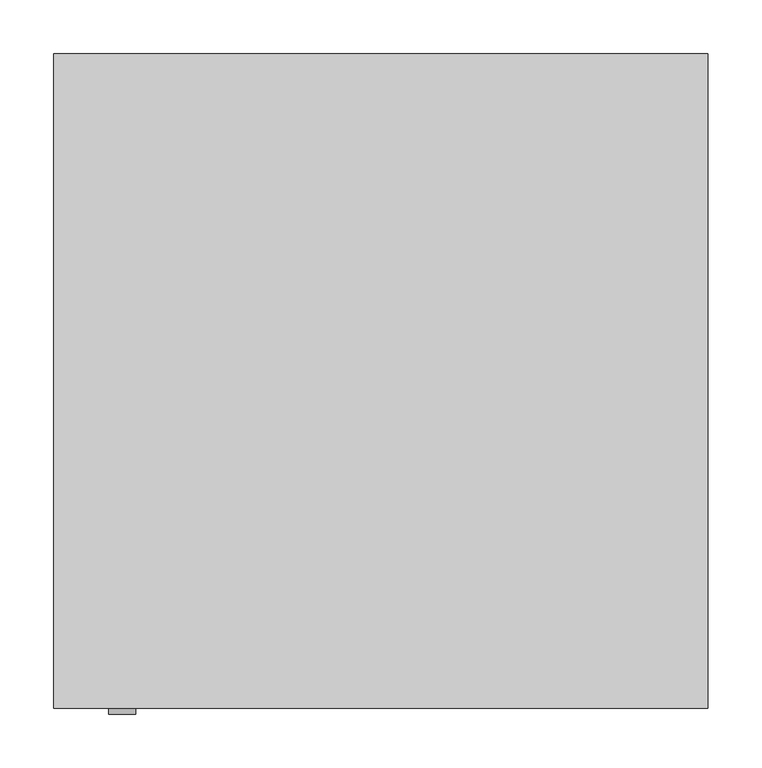
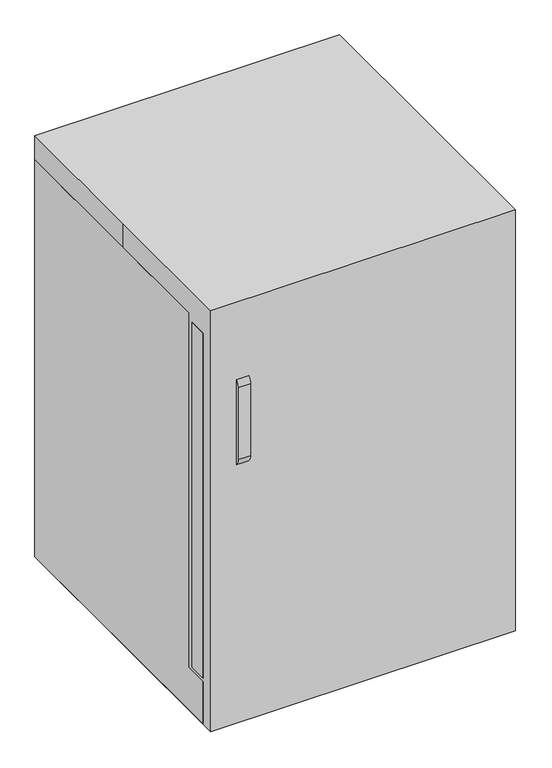
"""IFC4 building model written with IfcOpenShell, lengths in millimetres: proxy geometry."""

import ifcopenshell
import ifcopenshell.guid

model = None  # the IFC model being written
_history = None  # IfcOwnerHistory: only IFC2X3 demands one
_inside = {}  # id of a spatial element -> (the spatial element, [elements in it])
_under = {}  # id of a project, library or spatial element -> (it, [spatial elements below it])
_declared = {}  # id of a project -> (the project, [libraries it declares])
_typed = {}  # id of a type object -> (the type object, [elements of that type])
_made_of = {}  # id of a material, layer set ... -> (it, [elements and type objects made of it])


def new_model(schema):
    """Start an empty IFC model of exactly this schema.

    Asked for "IFC4X3", IfcOpenShell would pick the latest addendum, in which some entities
    have other attributes; the version numbers below select the first issue.
    IFC2X3 requires an IfcOwnerHistory on every rooted entity: one is made here for all.
    """
    global model, _history
    if schema == "IFC4X3":
        model = ifcopenshell.file(schema_version=(4, 3, 0, 0))
    else:
        model = ifcopenshell.file(schema=schema)
    _inside.clear()
    _under.clear()
    _declared.clear()
    _typed.clear()
    _made_of.clear()
    _history = None
    if model.schema == "IFC2X3":
        org = make("IfcOrganization", Name="unknown")
        user = make(
            "IfcPersonAndOrganization",
            ThePerson=make("IfcPerson", FamilyName="unknown"),
            TheOrganization=org,
        )
        app = make(
            "IfcApplication",
            ApplicationDeveloper=org,
            Version="unknown",
            ApplicationFullName="unknown",
            ApplicationIdentifier="unknown",
        )
        _history = make(
            "IfcOwnerHistory",
            OwningUser=user,
            OwningApplication=app,
            ChangeAction="ADDED",
            CreationDate=0,
        )
    return model


def make(cls, **values):
    """One entity of the class cls with the attributes given. An attribute that is None is left unset."""
    return model.create_entity(
        cls, **{name: value for name, value in values.items() if value is not None}
    )


def rooted(cls, **values):
    """An entity with a GlobalId (a new one), such as an element, a storey or a relation."""
    return make(cls, GlobalId=ifcopenshell.guid.new(), OwnerHistory=_history, **values)


def si_unit(unit_type, name, prefix=None):
    """IfcSIUnit, for example si_unit("LENGTHUNIT", "METRE", prefix="MILLI")."""
    return make("IfcSIUnit", UnitType=unit_type, Prefix=prefix, Name=name)


def assignment(units):
    """IfcUnitAssignment: the units of a project."""
    return None if units is None else make("IfcUnitAssignment", Units=units)


def point(xyz):
    """IfcCartesianPoint."""
    return None if xyz is None else make("IfcCartesianPoint", Coordinates=xyz)


def direction(xyz):
    """IfcDirection."""
    return None if xyz is None else make("IfcDirection", DirectionRatios=xyz)


def frame(location, z_axis=None, x_axis=None):
    """IfcAxis2Placement3D, a coordinate frame: its origin and axes. An axis left out is left unset."""
    return make(
        "IfcAxis2Placement3D",
        Location=point(location),
        Axis=direction(z_axis),
        RefDirection=direction(x_axis),
    )


def frame_2d(location, x_axis=None):
    """IfcAxis2Placement2D, a coordinate frame in the plane: its origin and x axis."""
    return make(
        "IfcAxis2Placement2D", Location=point(location), RefDirection=direction(x_axis)
    )


def origin():
    """The frame at (0, 0, 0) with its axes left unset."""
    return frame((0.0, 0.0, 0.0))


def origin_with_axes():
    """The frame at (0, 0, 0) with the z axis (0, 0, 1) and the x axis (1, 0, 0) written out."""
    return frame((0.0, 0.0, 0.0), z_axis=(0.0, 0.0, 1.0), x_axis=(1.0, 0.0, 0.0))


def place(relative_to, where):
    """IfcLocalPlacement: puts the frame where relative to a parent placement (None: the world)."""
    return make(
        "IfcLocalPlacement", PlacementRelTo=relative_to, RelativePlacement=where
    )


def context(
    kind, dimensions, precision=None, world=None, true_north=None, identifier=None
):
    """IfcGeometricRepresentationContext, for example the 3D "Model" context."""
    return make(
        "IfcGeometricRepresentationContext",
        ContextIdentifier=identifier,
        ContextType=kind,
        CoordinateSpaceDimension=dimensions,
        Precision=precision,
        WorldCoordinateSystem=world,
        TrueNorth=true_north,
    )


def project(units=None, contexts=None):
    """IfcProject with its units and contexts."""
    return rooted(
        "IfcProject",
        Name="project",
        RepresentationContexts=contexts,
        UnitsInContext=assignment(units),
    )


def spatial(cls, under=None, at=None, **own):
    """A site, building, storey or space (cls), placed at a placement, below another one or the project."""
    s = rooted(cls, ObjectPlacement=at, **own)
    if under is not None:
        _under.setdefault(under.id(), (under, []))[1].append(s)
    return s


def polyline(points):
    """IfcPolyline through the points."""
    return make("IfcPolyline", Points=[point(p) for p in points])


def circle_curve(where, radius):
    """IfcCircle in the frame where."""
    return make("IfcCircle", Position=where, Radius=radius)


def trimmed(basis, trim1, trim2, sense, master):
    """IfcTrimmedCurve: the piece of a basis curve between two trims."""
    return make(
        "IfcTrimmedCurve",
        BasisCurve=basis,
        Trim1=trim1,
        Trim2=trim2,
        SenseAgreement=sense,
        MasterRepresentation=master,
    )


def segment(curve, same_sense, transition):
    """IfcCompositeCurveSegment."""
    return make(
        "IfcCompositeCurveSegment",
        Transition=transition,
        SameSense=same_sense,
        ParentCurve=curve,
    )


def composite_curve(segments, self_intersect=None):
    """IfcCompositeCurve: segments joined end to end."""
    return make("IfcCompositeCurve", Segments=segments, SelfIntersect=self_intersect)


def outline(outer, holes=None, kind="AREA"):
    """IfcArbitraryClosedProfileDef: a profile drawn as a closed curve; with holes, ...WithVoids."""
    if holes is None:
        return make("IfcArbitraryClosedProfileDef", ProfileType=kind, OuterCurve=outer)
    return make(
        "IfcArbitraryProfileDefWithVoids",
        ProfileType=kind,
        OuterCurve=outer,
        InnerCurves=holes,
    )


def extrude(swept, where, along, depth):
    """IfcExtrudedAreaSolid: the profile swept, set in the frame where, extruded along a direction by depth."""
    return make(
        "IfcExtrudedAreaSolid",
        SweptArea=swept,
        Position=where,
        ExtrudedDirection=direction(along),
        Depth=depth,
    )


def shape(context_of_items, identifier, shape_type, items):
    """IfcShapeRepresentation: the items that make up one representation, for example the "Body"."""
    return make(
        "IfcShapeRepresentation",
        ContextOfItems=context_of_items,
        RepresentationIdentifier=identifier,
        RepresentationType=shape_type,
        Items=items,
    )


def source(mapping_origin, context_of_items, identifier, shape_type, items):
    """IfcRepresentationMap: a shape defined once, which mapped items show again and again."""
    return make(
        "IfcRepresentationMap",
        MappingOrigin=mapping_origin,
        MappedRepresentation=shape(context_of_items, identifier, shape_type, items),
    )


def transform(
    local_origin,
    x_axis=None,
    y_axis=None,
    z_axis=None,
    scale=None,
    scale2=None,
    scale3=None,
    uniform=True,
):
    """IfcCartesianTransformationOperator3D, or its non-uniform kind. x_axis, y_axis, z_axis: its Axis1, 2, 3."""
    if uniform:
        return make(
            "IfcCartesianTransformationOperator3D",
            Axis1=direction(x_axis),
            Axis2=direction(y_axis),
            LocalOrigin=point(local_origin),
            Scale=scale,
            Axis3=direction(z_axis),
        )
    return make(
        "IfcCartesianTransformationOperator3DnonUniform",
        Axis1=direction(x_axis),
        Axis2=direction(y_axis),
        LocalOrigin=point(local_origin),
        Scale=scale,
        Axis3=direction(z_axis),
        Scale2=scale2,
        Scale3=scale3,
    )


def mapped(mapping_source, mapping_target):
    """IfcMappedItem: shows the shape of a source again, moved by a transform."""
    return make(
        "IfcMappedItem", MappingSource=mapping_source, MappingTarget=mapping_target
    )


def made_of(thing, what):
    """Note that an element or type object is made of a material, layer set ...; save() writes the relation."""
    if what is not None:
        _made_of.setdefault(what.id(), (what, []))[1].append(thing)
    return thing


def element(
    cls,
    number,
    at=None,
    inside=None,
    cuts=None,
    type_object=None,
    material=None,
    context=None,
    identifier="Body",
    shape_type=None,
    held_by="IfcProductDefinitionShape",
    body=None,
    shapes=None,
    **own,
):
    """One element of the class cls, such as IfcWall. Its Tag is "e" and its number.

    at: its placement. inside: the storey or other place that contains it. cuts: it is an
    opening in that element (IfcRelVoidsElement). A single representation is given by context,
    identifier, shape_type and body (its items); several are given by shapes. held_by: the class
    of the entity that holds the representations. save() writes the other relations.
    """
    e = rooted(cls, Tag="e%d" % number, ObjectPlacement=at, **own)
    if body is not None:
        shapes = [shape(context, identifier, shape_type, body)]
    if shapes is not None:
        e.Representation = make(held_by, Representations=shapes)
    if inside is not None:
        _inside.setdefault(inside.id(), (inside, []))[1].append(e)
    if cuts is not None:
        rooted(
            "IfcRelVoidsElement", RelatingBuildingElement=cuts, RelatedOpeningElement=e
        )
    if type_object is not None:
        _typed.setdefault(type_object.id(), (type_object, []))[1].append(e)
    return made_of(e, material)


def aggregate(whole, parts):
    """IfcRelAggregates: a whole, such as a stair, and the parts it consists of."""
    return rooted("IfcRelAggregates", RelatingObject=whole, RelatedObjects=parts)


def save(model, path):
    """Write the relations noted so far, then the file.

    IfcRelAggregates (storeys below a building ...), IfcRelContainedInSpatialStructure (elements
    in a storey), IfcRelDefinesByType, IfcRelAssociatesMaterial and IfcRelDeclares: one each for
    every whole, place, type object, material and project.
    """
    for whole, parts in _under.values():
        aggregate(whole, parts)
    for where, things in _inside.values():
        rooted(
            "IfcRelContainedInSpatialStructure",
            RelatedElements=things,
            RelatingStructure=where,
        )
    for kind, things in _typed.values():
        rooted("IfcRelDefinesByType", RelatedObjects=things, RelatingType=kind)
    for what, things in _made_of.values():
        rooted("IfcRelAssociatesMaterial", RelatedObjects=things, RelatingMaterial=what)
    for by, libraries in _declared.values():
        rooted("IfcRelDeclares", RelatingContext=by, RelatedDefinitions=libraries)
    model.write(path)


def specialty_equipment_3c4c7319(model_context):
    return source(origin(), model_context, "Body", "SweptSolid", [
        extrude(outline(polyline([(304.8, -278.4731993), (232.0741382, -278.4731993), (232.0741382, -227.6731993), (304.8, -227.6731993), (304.8, -278.4731993)])), frame((0.0, 0.0, 825.5), z_axis=(0.0, 0.0, 1.0), x_axis=(1.0, 0.0, 0.0)), (0.0, 0.0, 1.0), 12.7),
        extrude(outline(composite_curve([segment(polyline([(-278.4731993, 546.4738531), (-278.4731993, 540.1238531), (-291.1731993, 540.1238531)]), True, "CONTINUOUS"), segment(trimmed(circle_curve(frame_2d((-291.1731993, 559.1738531)), 19.05), [point((-291.1731993, 540.1238531))], [point((-310.2231993, 559.1738531))], False, "CARTESIAN"), True, "CONTINUOUS"), segment(polyline([(-310.2231993, 559.1738531), (-310.2231993, 711.5738531)]), True, "CONTINUOUS"), segment(trimmed(circle_curve(frame_2d((-291.1731993, 711.5738531)), 19.05), [point((-310.2231993, 711.5738531))], [point((-291.1731993, 730.6238531))], False, "CARTESIAN"), True, "CONTINUOUS"), segment(polyline([(-291.1731993, 730.6238531), (-278.4731993, 730.6238531), (-278.4731993, 724.2738531), (-291.1731993, 724.2738531)]), True, "CONTINUOUS"), segment(trimmed(circle_curve(frame_2d((-291.1731993, 711.5738531)), 12.7), [point((-291.1731993, 724.2738531))], [point((-303.8731993, 711.5738531))], True, "CARTESIAN"), True, "CONTINUOUS"), segment(polyline([(-303.8731993, 711.5738531), (-303.8731993, 559.1738531)]), True, "CONTINUOUS"), segment(trimmed(circle_curve(frame_2d((-291.1731993, 559.1738531)), 12.7), [point((-303.8731993, 559.1738531))], [point((-291.1731993, 546.4738531))], True, "CARTESIAN"), True, "CONTINUOUS"), segment(polyline([(-291.1731993, 546.4738531), (-278.4731993, 546.4738531)]), True, "CONTINUOUS")], self_intersect=False)), frame((-253.6261469, 0.0, 0.0), z_axis=(1.0, 0.0, 0.0), x_axis=(0.0, 1.0, 0.0)), (0.0, 0.0, 1.0), 25.4),
        extrude(outline(polyline([(304.8, -278.4731993), (-304.8, -278.4731993), (-304.8, -240.3731993), (304.8, -240.3731993), (304.8, -278.4731993)])), frame((0.0, 0.0, 96.7063414), z_axis=(0.0, 0.0, 1.0), x_axis=(1.0, 0.0, 0.0)), (0.0, 0.0, 1.0), 728.7936586),
        extrude(outline(polyline([(292.1, -227.6731993), (292.1, -240.3731993), (-292.4220728, -240.3731993), (-292.4220728, -227.6731993), (292.1, -227.6731993)])), frame((0.0, 0.0, 117.3428444), z_axis=(0.0, 0.0, 1.0), x_axis=(1.0, 0.0, 0.0)), (0.0, 0.0, 1.0), 691.4472963),
        extrude(outline(polyline([(-227.6731993, 838.2), (26.3268007, 838.2), (304.8, 838.2), (304.8, 0.0), (-227.6731993, 0.0), (-278.4731993, 0.0), (-278.4731993, 88.9), (-227.6731993, 88.9), (-227.6731993, 838.2)])), frame((-304.8, 0.0, 0.0), z_axis=(1.0, 0.0, 0.0), x_axis=(0.0, 1.0, 0.0)), (0.0, 0.0, 1.0), 609.6),
        extrude(outline(polyline([(-304.8, 304.8), (304.8, 304.8), (304.8, -304.8), (-304.8, -304.8), (-304.8, 0.0), (-304.8, 304.8)])), origin_with_axes(), (0.0, 0.0, 1.0), 889.0),
    ])


if __name__ == "__main__":
    model = new_model("IFC4")
    model_context = context("Model", 3, world=origin())
    ifc_project = project(units=[si_unit("LENGTHUNIT", "METRE", prefix="MILLI")], contexts=[model_context])
    site = spatial("IfcSite", under=ifc_project)
    building = spatial("IfcBuilding", under=site)
    placement = place(None, origin())
    specialty_equipment_shape = specialty_equipment_3c4c7319(model_context)
    element("IfcBuildingElementProxy", 1, Name="Specialty Equipment", at=placement, inside=building, context=model_context, shape_type="MappedRepresentation", body=[
        mapped(specialty_equipment_shape, transform((0.0, 0.0, 0.0), x_axis=(1.0, 0.0, 0.0), y_axis=(0.0, 1.0, 0.0), z_axis=(0.0, 0.0, 1.0))),
    ])
    save(model, "model.ifc")
